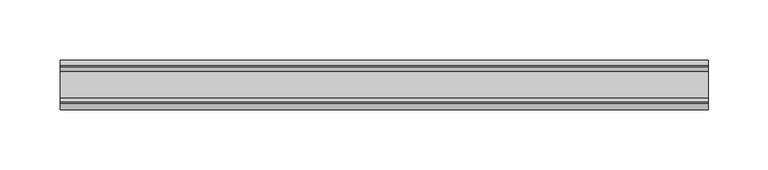
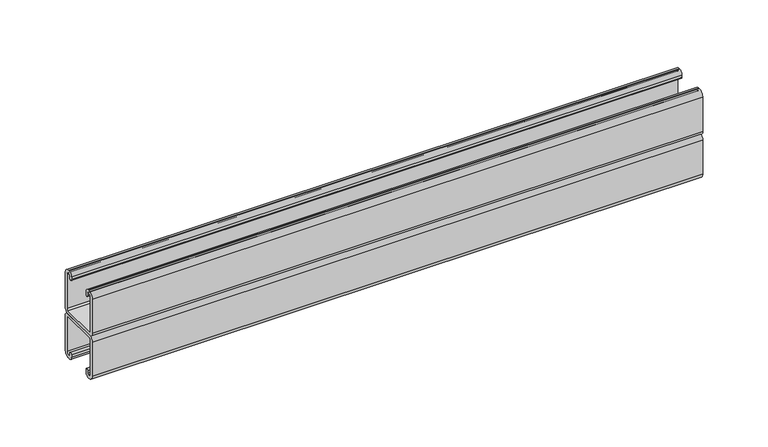
"""IFC4 building model written with IfcOpenShell, lengths in millimetres: proxy geometry."""

from ifc_helpers import new_model, si_unit, point, frame, frame_2d, origin, place, context, project, spatial, polyline, circle_curve, trimmed, segment, composite_curve, outline, extrude, source, transform, mapped, element, save


def specialty_equipment_83476bb4(model_context):
    return source(origin(), model_context, "Body", "SweptSolid", [
        extrude(outline(composite_curve([segment(polyline([(-16.5186879, 2943.733), (16.5186879, 2943.733)]), True, "CONTINUOUS"), segment(trimmed(circle_curve(frame_2d((16.5186879, 2945.1848121)), 1.4518121), [point((16.5186879, 2943.733))], [point((17.9705, 2945.1848121))], True, "CARTESIAN"), True, "CONTINUOUS"), segment(polyline([(17.9705, 2945.1848121), (17.9705, 2977.066)]), True, "CONTINUOUS"), segment(trimmed(circle_curve(frame_2d((15.6705, 2977.066)), 2.3), [point((17.9705, 2977.066))], [point((15.6705, 2979.366))], True, "CARTESIAN"), True, "CONTINUOUS"), segment(polyline([(15.6705, 2979.366), (14.4936781, 2979.366)]), True, "CONTINUOUS"), segment(trimmed(circle_curve(frame_2d((14.4936781, 2978.6518219)), 0.7141781), [point((14.4936781, 2979.366))], [point((13.7795, 2978.6518219))], True, "CARTESIAN"), True, "CONTINUOUS"), segment(polyline([(13.7795, 2978.6518219), (13.7795, 2976.2621)]), True, "CONTINUOUS"), segment(trimmed(circle_curve(frame_2d((12.446, 2976.2621)), 1.3335), [point((13.7795, 2976.2621))], [point((11.1125, 2976.2621))], False, "CARTESIAN"), True, "CONTINUOUS"), segment(polyline([(11.1125, 2976.2621), (11.1125, 2978.6518219)]), True, "CONTINUOUS"), segment(trimmed(circle_curve(frame_2d((14.5266781, 2978.6518219)), 3.4141781), [point((11.1125, 2978.6518219))], [point((14.5266781, 2982.066))], False, "CARTESIAN"), True, "CONTINUOUS"), segment(polyline([(14.5266781, 2982.066), (15.6705, 2982.066)]), True, "CONTINUOUS"), segment(trimmed(circle_curve(frame_2d((15.6705, 2977.066)), 5.0), [point((15.6705, 2982.066))], [point((20.6705, 2977.066))], False, "CARTESIAN"), True, "CONTINUOUS"), segment(polyline([(20.6705, 2977.066), (20.6705, 2945.1848121)]), True, "CONTINUOUS"), segment(trimmed(circle_curve(frame_2d((16.5186879, 2945.1848121)), 4.1518121), [point((20.6705, 2945.1848121))], [point((16.5186879, 2941.033))], False, "CARTESIAN"), True, "CONTINUOUS"), segment(polyline([(16.5186879, 2941.033), (-16.5186879, 2941.033)]), True, "CONTINUOUS"), segment(trimmed(circle_curve(frame_2d((-16.5186879, 2945.1848121)), 4.1518121), [point((-16.5186879, 2941.033))], [point((-20.6705, 2945.1848121))], False, "CARTESIAN"), True, "CONTINUOUS"), segment(polyline([(-20.6705, 2945.1848121), (-20.6705, 2977.066)]), True, "CONTINUOUS"), segment(trimmed(circle_curve(frame_2d((-15.6705, 2977.066)), 5.0), [point((-20.6705, 2977.066))], [point((-15.6705, 2982.066))], False, "CARTESIAN"), True, "CONTINUOUS"), segment(polyline([(-15.6705, 2982.066), (-14.5266781, 2982.066)]), True, "CONTINUOUS"), segment(trimmed(circle_curve(frame_2d((-14.5266781, 2978.6518219)), 3.4141781), [point((-14.5266781, 2982.066))], [point((-11.1125, 2978.6518219))], False, "CARTESIAN"), True, "CONTINUOUS"), segment(polyline([(-11.1125, 2978.6518219), (-11.1125, 2976.2621)]), True, "CONTINUOUS"), segment(trimmed(circle_curve(frame_2d((-12.446, 2976.2621)), 1.3335), [point((-11.1125, 2976.2621))], [point((-13.7795, 2976.2621))], False, "CARTESIAN"), True, "CONTINUOUS"), segment(polyline([(-13.7795, 2976.2621), (-13.7795, 2978.6518219)]), True, "CONTINUOUS"), segment(trimmed(circle_curve(frame_2d((-14.4936781, 2978.6518219)), 0.7141781), [point((-13.7795, 2978.6518219))], [point((-14.4936781, 2979.366))], True, "CARTESIAN"), True, "CONTINUOUS"), segment(polyline([(-14.4936781, 2979.366), (-15.6705, 2979.366)]), True, "CONTINUOUS"), segment(trimmed(circle_curve(frame_2d((-15.6705, 2977.066)), 2.3), [point((-15.6705, 2979.366))], [point((-17.9705, 2977.066))], True, "CARTESIAN"), True, "CONTINUOUS"), segment(polyline([(-17.9705, 2977.066), (-17.9705, 2945.1848121)]), True, "CONTINUOUS"), segment(trimmed(circle_curve(frame_2d((-16.5186879, 2945.1848121)), 1.4518121), [point((-17.9705, 2945.1848121))], [point((-16.5186879, 2943.733))], True, "CARTESIAN"), True, "CONTINUOUS")], self_intersect=False)), frame((-270.0, 0.0, 0.0), z_axis=(1.0, 0.0, 0.0), x_axis=(0.0, 1.0, 0.0)), (0.0, 0.0, 1.0), 540.0),
        extrude(outline(composite_curve([segment(polyline([(16.5186879, 2938.333), (-16.5186879, 2938.333)]), True, "CONTINUOUS"), segment(trimmed(circle_curve(frame_2d((-16.5186879, 2936.8811879)), 1.4518121), [point((-16.5186879, 2938.333))], [point((-17.9705, 2936.8811879))], True, "CARTESIAN"), True, "CONTINUOUS"), segment(polyline([(-17.9705, 2936.8811879), (-17.9705, 2905.0)]), True, "CONTINUOUS"), segment(trimmed(circle_curve(frame_2d((-15.6705, 2905.0)), 2.3), [point((-17.9705, 2905.0))], [point((-15.6705, 2902.7))], True, "CARTESIAN"), True, "CONTINUOUS"), segment(polyline([(-15.6705, 2902.7), (-14.4936781, 2902.7)]), True, "CONTINUOUS"), segment(trimmed(circle_curve(frame_2d((-14.4936781, 2903.4141781)), 0.7141781), [point((-14.4936781, 2902.7))], [point((-13.7795, 2903.4141781))], True, "CARTESIAN"), True, "CONTINUOUS"), segment(polyline([(-13.7795, 2903.4141781), (-13.7795, 2905.8039)]), True, "CONTINUOUS"), segment(trimmed(circle_curve(frame_2d((-12.446, 2905.8039)), 1.3335), [point((-13.7795, 2905.8039))], [point((-11.1125, 2905.8039))], False, "CARTESIAN"), True, "CONTINUOUS"), segment(polyline([(-11.1125, 2905.8039), (-11.1125, 2903.4141781)]), True, "CONTINUOUS"), segment(trimmed(circle_curve(frame_2d((-14.5266781, 2903.4141781)), 3.4141781), [point((-11.1125, 2903.4141781))], [point((-14.5266781, 2900.0))], False, "CARTESIAN"), True, "CONTINUOUS"), segment(polyline([(-14.5266781, 2900.0), (-15.6705, 2900.0)]), True, "CONTINUOUS"), segment(trimmed(circle_curve(frame_2d((-15.6705, 2905.0)), 5.0), [point((-15.6705, 2900.0))], [point((-20.6705, 2905.0))], False, "CARTESIAN"), True, "CONTINUOUS"), segment(polyline([(-20.6705, 2905.0), (-20.6705, 2936.8811879)]), True, "CONTINUOUS"), segment(trimmed(circle_curve(frame_2d((-16.5186879, 2936.8811879)), 4.1518121), [point((-20.6705, 2936.8811879))], [point((-16.5186879, 2941.033))], False, "CARTESIAN"), True, "CONTINUOUS"), segment(polyline([(-16.5186879, 2941.033), (16.5186879, 2941.033)]), True, "CONTINUOUS"), segment(trimmed(circle_curve(frame_2d((16.5186879, 2936.8811879)), 4.1518121), [point((16.5186879, 2941.033))], [point((20.6705, 2936.8811879))], False, "CARTESIAN"), True, "CONTINUOUS"), segment(polyline([(20.6705, 2936.8811879), (20.6705, 2905.0)]), True, "CONTINUOUS"), segment(trimmed(circle_curve(frame_2d((15.6705, 2905.0)), 5.0), [point((20.6705, 2905.0))], [point((15.6705, 2900.0))], False, "CARTESIAN"), True, "CONTINUOUS"), segment(polyline([(15.6705, 2900.0), (14.5266781, 2900.0)]), True, "CONTINUOUS"), segment(trimmed(circle_curve(frame_2d((14.5266781, 2903.4141781)), 3.4141781), [point((14.5266781, 2900.0))], [point((11.1125, 2903.4141781))], False, "CARTESIAN"), True, "CONTINUOUS"), segment(polyline([(11.1125, 2903.4141781), (11.1125, 2905.8039)]), True, "CONTINUOUS"), segment(trimmed(circle_curve(frame_2d((12.446, 2905.8039)), 1.3335), [point((11.1125, 2905.8039))], [point((13.7795, 2905.8039))], False, "CARTESIAN"), True, "CONTINUOUS"), segment(polyline([(13.7795, 2905.8039), (13.7795, 2903.4141781)]), True, "CONTINUOUS"), segment(trimmed(circle_curve(frame_2d((14.4936781, 2903.4141781)), 0.7141781), [point((13.7795, 2903.4141781))], [point((14.4936781, 2902.7))], True, "CARTESIAN"), True, "CONTINUOUS"), segment(polyline([(14.4936781, 2902.7), (15.6705, 2902.7)]), True, "CONTINUOUS"), segment(trimmed(circle_curve(frame_2d((15.6705, 2905.0)), 2.3), [point((15.6705, 2902.7))], [point((17.9705, 2905.0))], True, "CARTESIAN"), True, "CONTINUOUS"), segment(polyline([(17.9705, 2905.0), (17.9705, 2936.8811879)]), True, "CONTINUOUS"), segment(trimmed(circle_curve(frame_2d((16.5186879, 2936.8811879)), 1.4518121), [point((17.9705, 2936.8811879))], [point((16.5186879, 2938.333))], True, "CARTESIAN"), True, "CONTINUOUS")], self_intersect=False)), frame((-270.0, 0.0, 0.0), z_axis=(1.0, 0.0, 0.0), x_axis=(0.0, 1.0, 0.0)), (0.0, 0.0, 1.0), 540.0),
    ])


if __name__ == "__main__":
    model = new_model("IFC4")
    model_context = context("Model", 3, world=origin())
    ifc_project = project(units=[si_unit("LENGTHUNIT", "METRE", prefix="MILLI")], contexts=[model_context])
    site = spatial("IfcSite", under=ifc_project)
    building = spatial("IfcBuilding", under=site)
    placement = place(None, origin())
    specialty_equipment_shape = specialty_equipment_83476bb4(model_context)
    element("IfcBuildingElementProxy", 1, Name="Specialty Equipment", at=placement, inside=building, context=model_context, shape_type="MappedRepresentation", body=[
        mapped(specialty_equipment_shape, transform((0.0, 0.0, 0.0), x_axis=(1.0, 0.0, 0.0), y_axis=(0.0, 1.0, 0.0), z_axis=(0.0, 0.0, 1.0))),
    ])
    save(model, "model.ifc")
